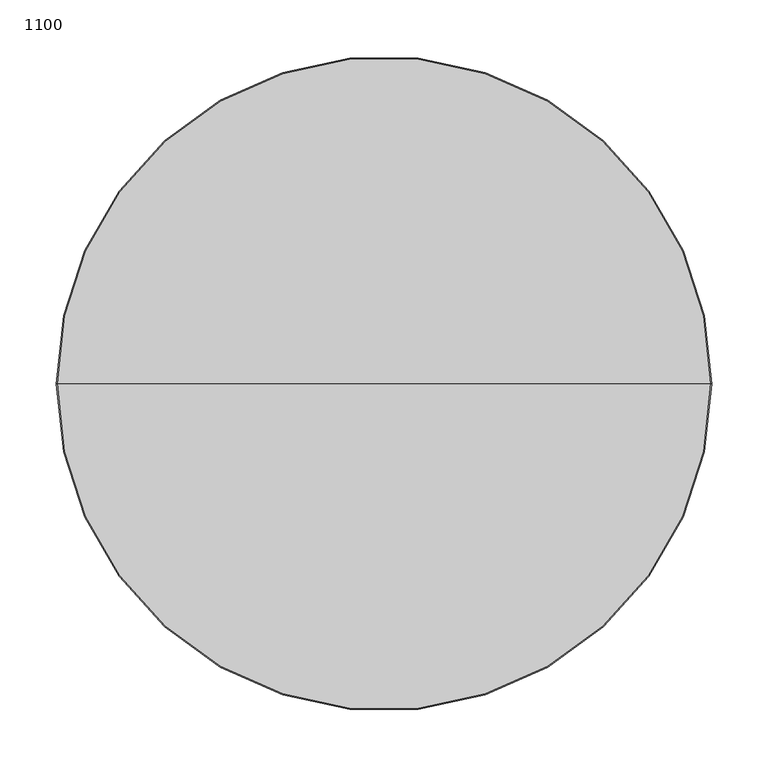
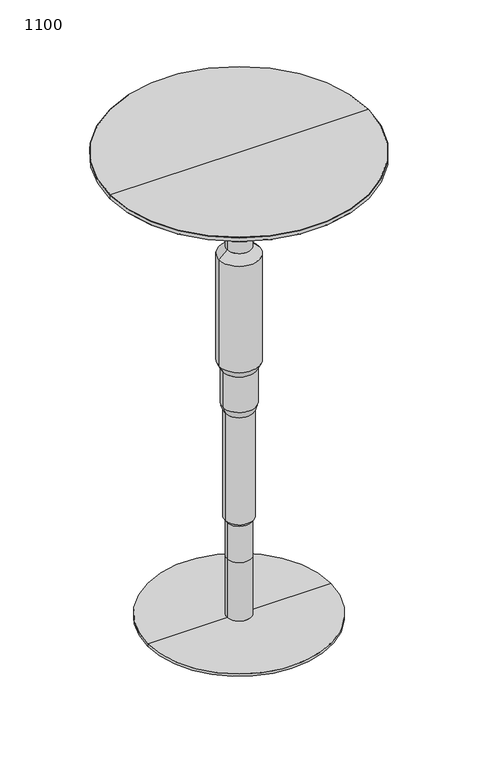
"""IFC4 building model written with IfcOpenShell, lengths in millimetres: furniture geometry, 1100."""

from ifc_helpers import new_model, si_unit, frame, origin, place, context, project, spatial, polyline, circle_curve, source, transform, mapped, element, save
from ifc_brep_helpers import plane_surface, cylinder_surface, revolved_surface, advanced_brep


def furniture_1100_5a6f175d(model_context):
    return source(origin(), model_context, "Body", "AdvancedBrep", [
        advanced_brep(
        [(27.0000008, 0.0, 145.4999867), (-27.0000008, 0.0, 145.4999867), (-27.0000008, 0.0, 230.9999641), (27.0000008, 0.0, 230.9999641), (0.0, 0.0, 145.4999867), (27.0000008, 0.0, 985.9999735), (-27.0000008, 0.0, 985.9999735), (0.0, 0.0, 985.9999735), (27.0000008, 0.0, 877.9999523), (-27.0000008, 0.0, 877.9999523), (45.0000013, 0.0, 859.9999609), (-45.0000013, 0.0, 859.9999609), (45.0000013, 0.0, 607.999972), (-45.0000013, 0.0, 607.999972), (37.0000013, 0.0, 591.9999676), (-37.0000013, 0.0, 591.9999676), (37.0000013, 0.0, 507.9999713), (-37.0000013, 0.0, 507.9999713), (31.5000009, 0.0, 491.9999668), (-31.5000009, 0.0, 491.9999668), (31.5000009, 0.0, 237.9999729), (-31.5000009, 0.0, 237.9999729)],
        [
            (0, 1, circle_curve(frame((0.0, 0.0, 145.4999867), z_axis=(0.0, 0.0, 1.0), x_axis=(-1.0, 0.0, 0.0)), 27.0000008)),
            (1, 2),
            (2, 3, circle_curve(frame((0.0, 0.0, 230.9999641), z_axis=(0.0, 0.0, -1.0), x_axis=(-1.0, 0.0, 0.0)), 27.0000008)),
            (3, 0),
            (1, 0, circle_curve(frame((0.0, 0.0, 145.4999867), z_axis=(0.0, 0.0, 1.0), x_axis=(-1.0, 0.0, 0.0)), 27.0000008)),
            (3, 2, circle_curve(frame((0.0, 0.0, 230.9999641), z_axis=(0.0, 0.0, -1.0), x_axis=(-1.0, 0.0, 0.0)), 27.0000008)),
            (4, 1),
            (0, 4),
            (5, 6, circle_curve(frame((0.0, 0.0, 985.9999735), z_axis=(0.0, 0.0, 1.0), x_axis=(-1.0, 0.0, 0.0)), 27.0000008)),
            (6, 7),
            (7, 5),
            (6, 5, circle_curve(frame((0.0, 0.0, 985.9999735), z_axis=(0.0, 0.0, 1.0), x_axis=(-1.0, 0.0, 0.0)), 27.0000008)),
            (8, 9, circle_curve(frame((0.0, 0.0, 877.9999523), z_axis=(0.0, 0.0, 1.0), x_axis=(-1.0, 0.0, 0.0)), 27.0000008)),
            (9, 6),
            (5, 8),
            (9, 8, circle_curve(frame((0.0, 0.0, 877.9999523), z_axis=(0.0, 0.0, 1.0), x_axis=(-1.0, 0.0, 0.0)), 27.0000008)),
            (10, 11, circle_curve(frame((0.0, 0.0, 859.9999609), z_axis=(0.0, 0.0, 1.0), x_axis=(-1.0, 0.0, 0.0)), 45.0000013)),
            (11, 9),
            (8, 10),
            (11, 10, circle_curve(frame((0.0, 0.0, 859.9999609), z_axis=(0.0, 0.0, 1.0), x_axis=(-1.0, 0.0, 0.0)), 45.0000013)),
            (12, 13, circle_curve(frame((0.0, 0.0, 607.999972), z_axis=(0.0, 0.0, 1.0), x_axis=(-1.0, 0.0, 0.0)), 45.0000013)),
            (13, 11),
            (10, 12),
            (13, 12, circle_curve(frame((0.0, 0.0, 607.999972), z_axis=(0.0, 0.0, 1.0), x_axis=(-1.0, 0.0, 0.0)), 45.0000013)),
            (14, 15, circle_curve(frame((0.0, 0.0, 591.9999676), z_axis=(0.0, 0.0, 1.0), x_axis=(-1.0, 0.0, 0.0)), 37.0000013)),
            (15, 13),
            (12, 14),
            (15, 14, circle_curve(frame((0.0, 0.0, 591.9999676), z_axis=(0.0, 0.0, 1.0), x_axis=(-1.0, 0.0, 0.0)), 37.0000013)),
            (16, 17, circle_curve(frame((0.0, 0.0, 507.9999713), z_axis=(0.0, 0.0, 1.0), x_axis=(-1.0, 0.0, 0.0)), 37.0000013)),
            (17, 15),
            (14, 16),
            (17, 16, circle_curve(frame((0.0, 0.0, 507.9999713), z_axis=(0.0, 0.0, 1.0), x_axis=(-1.0, 0.0, 0.0)), 37.0000013)),
            (18, 19, circle_curve(frame((0.0, 0.0, 491.9999668), z_axis=(0.0, 0.0, 1.0), x_axis=(-1.0, 0.0, 0.0)), 31.5000009)),
            (19, 17),
            (16, 18),
            (19, 18, circle_curve(frame((0.0, 0.0, 491.9999668), z_axis=(0.0, 0.0, 1.0), x_axis=(-1.0, 0.0, 0.0)), 31.5000009)),
            (20, 21, circle_curve(frame((0.0, 0.0, 237.9999729), z_axis=(0.0, 0.0, 1.0), x_axis=(-1.0, 0.0, 0.0)), 31.5000009)),
            (21, 19),
            (18, 20),
            (21, 20, circle_curve(frame((0.0, 0.0, 237.9999729), z_axis=(0.0, 0.0, 1.0), x_axis=(-1.0, 0.0, 0.0)), 31.5000009)),
            (2, 21),
            (20, 3),
        ],
        [
            cylinder_surface(frame((0.0, 0.0, 124.7206037), z_axis=(0.0, 0.0, -1.0), x_axis=(-1.0, 0.0, 0.0)), 27.0000008),
            plane_surface(frame((0.0, 0.0, 145.4999867), z_axis=(0.0, 0.0, -1.0), x_axis=(-1.0, 0.0, 0.0))),
            plane_surface(frame((0.0, 0.0, 985.9999735), z_axis=(0.0, 0.0, 1.0), x_axis=(-1.0, 0.0, 0.0))),
            revolved_surface(polyline([(-27.0000008, 0.0, 877.9999523), (-45.0000013, 0.0, 859.9999609)]), (0.0, 0.0, 124.7206037), (0.0, 0.0, -1.0)),
            cylinder_surface(frame((0.0, 0.0, 124.7206037), z_axis=(0.0, 0.0, -1.0), x_axis=(-1.0, 0.0, 0.0)), 45.0000013),
            revolved_surface(polyline([(-45.0000013, 0.0, 607.999972), (-37.0000013, 0.0, 591.9999676)]), (0.0, 0.0, 124.7206037), (0.0, 0.0, -1.0)),
            cylinder_surface(frame((0.0, 0.0, 124.7206037), z_axis=(0.0, 0.0, -1.0), x_axis=(-1.0, 0.0, 0.0)), 37.0000013),
            revolved_surface(polyline([(-37.0000013, 0.0, 507.9999713), (-31.5000009, 0.0, 491.9999668)]), (0.0, 0.0, 124.7206037), (0.0, 0.0, -1.0)),
            cylinder_surface(frame((0.0, 0.0, 124.7206037), z_axis=(0.0, 0.0, -1.0), x_axis=(-1.0, 0.0, 0.0)), 31.5000009),
            revolved_surface(polyline([(-31.5000009, 0.0, 237.9999729), (-27.0000008, 0.0, 230.9999641)]), (0.0, 0.0, 124.7206037), (0.0, 0.0, -1.0)),
        ],
        [
            (0, [[1, 2, 3, 4]]),
            (0, [[5, -4, 6, -2]]),
            (1, [[7, -1, 8]]),
            (1, [[-8, -5, -7]]),
            (2, [[9, 10, 11]]),
            (2, [[12, -11, -10]]),
            (0, [[13, 14, -9, 15]]),
            (0, [[16, -15, -12, -14]]),
            (3, [[17, 18, -13, 19]]),
            (3, [[20, -19, -16, -18]]),
            (4, [[21, 22, -17, 23]]),
            (4, [[24, -23, -20, -22]]),
            (5, [[25, 26, -21, 27]]),
            (5, [[28, -27, -24, -26]]),
            (6, [[29, 30, -25, 31]]),
            (6, [[32, -31, -28, -30]]),
            (7, [[33, 34, -29, 35]]),
            (7, [[36, -35, -32, -34]]),
            (8, [[37, 38, -33, 39]]),
            (8, [[40, -39, -36, -38]]),
            (9, [[-3, 41, -37, 42]]),
            (9, [[-6, -42, -40, -41]]),
        ],
    ),
        advanced_brep(
        [(0.0, 0.0, 985.9999735), (-27.0000008, 0.0, 985.9999735), (27.0000008, 0.0, 985.9999735), (289.0000015, 0.0, 1099.9999918), (-289.0000015, 0.0, 1099.9999918), (0.0, 0.0, 1099.9999918), (289.9999774, 0.0, 1099.0000159), (-289.9999774, 0.0, 1099.0000159), (289.9999774, 0.0, 1090.9852813), (-289.9999774, 0.0, 1090.9852813), (289.0147168, 0.0, 1090.0000208), (-289.0147168, 0.0, 1090.0000208), (125.000001, 0.0, 1090.0000208), (-125.000001, 0.0, 1090.0000208), (125.000001, 0.0, 1085.9999016), (-125.000001, 0.0, 1085.9999016), (27.0000008, 0.0, 1085.9999016), (-27.0000008, 0.0, 1085.9999016)],
        [
            (0, 1),
            (1, 2, circle_curve(frame((0.0, 0.0, 985.9999735), z_axis=(0.0, 0.0, -1.0), x_axis=(-1.0, 0.0, 0.0)), 27.0000008)),
            (2, 0),
            (2, 1, circle_curve(frame((0.0, 0.0, 985.9999735), z_axis=(0.0, 0.0, -1.0), x_axis=(-1.0, 0.0, 0.0)), 27.0000008)),
            (3, 4, circle_curve(frame((0.0, 0.0, 1099.9999918), z_axis=(0.0, 0.0, 1.0), x_axis=(-1.0, 0.0, 0.0)), 289.0000015)),
            (4, 5),
            (5, 3),
            (4, 3, circle_curve(frame((0.0, 0.0, 1099.9999918), z_axis=(0.0, 0.0, 1.0), x_axis=(-1.0, 0.0, 0.0)), 289.0000015)),
            (6, 7, circle_curve(frame((0.0, 0.0, 1099.0000159), z_axis=(0.0, 0.0, 1.0), x_axis=(-1.0, 0.0, 0.0)), 289.9999774)),
            (7, 4),
            (3, 6),
            (7, 6, circle_curve(frame((0.0, 0.0, 1099.0000159), z_axis=(0.0, 0.0, 1.0), x_axis=(-1.0, 0.0, 0.0)), 289.9999774)),
            (8, 9, circle_curve(frame((0.0, 0.0, 1090.9852813), z_axis=(0.0, 0.0, 1.0), x_axis=(-1.0, 0.0, 0.0)), 289.9999774)),
            (9, 7),
            (6, 8),
            (9, 8, circle_curve(frame((0.0, 0.0, 1090.9852813), z_axis=(0.0, 0.0, 1.0), x_axis=(-1.0, 0.0, 0.0)), 289.9999774)),
            (10, 11, circle_curve(frame((0.0, 0.0, 1090.0000208), z_axis=(0.0, 0.0, 1.0), x_axis=(-1.0, 0.0, 0.0)), 289.0147168)),
            (11, 9),
            (8, 10),
            (11, 10, circle_curve(frame((0.0, 0.0, 1090.0000208), z_axis=(0.0, 0.0, 1.0), x_axis=(-1.0, 0.0, 0.0)), 289.0147168)),
            (12, 13, circle_curve(frame((0.0, 0.0, 1090.0000208), z_axis=(0.0, 0.0, 1.0), x_axis=(-1.0, 0.0, 0.0)), 125.000001)),
            (13, 11),
            (10, 12),
            (13, 12, circle_curve(frame((0.0, 0.0, 1090.0000208), z_axis=(0.0, 0.0, 1.0), x_axis=(-1.0, 0.0, 0.0)), 125.000001)),
            (14, 15, circle_curve(frame((0.0, 0.0, 1085.9999016), z_axis=(0.0, 0.0, 1.0), x_axis=(-1.0, 0.0, 0.0)), 125.000001)),
            (15, 13),
            (12, 14),
            (15, 14, circle_curve(frame((0.0, 0.0, 1085.9999016), z_axis=(0.0, 0.0, 1.0), x_axis=(-1.0, 0.0, 0.0)), 125.000001)),
            (16, 17, circle_curve(frame((0.0, 0.0, 1085.9999016), z_axis=(0.0, 0.0, 1.0), x_axis=(-1.0, 0.0, 0.0)), 27.0000008)),
            (17, 15),
            (14, 16),
            (17, 16, circle_curve(frame((0.0, 0.0, 1085.9999016), z_axis=(0.0, 0.0, 1.0), x_axis=(-1.0, 0.0, 0.0)), 27.0000008)),
            (1, 17),
            (16, 2),
        ],
        [
            plane_surface(frame((0.0, 0.0, 985.9999735), z_axis=(0.0, 0.0, -1.0), x_axis=(-1.0, 0.0, 0.0))),
            plane_surface(frame((0.0, 0.0, 1099.9999918), z_axis=(0.0, 0.0, 1.0), x_axis=(-1.0, 0.0, 0.0))),
            revolved_surface(polyline([(-289.0000015, 0.0, 1099.9999918), (-289.9999774, 0.0, 1099.0000159)]), (0.0, 0.0, 979.6499735), (0.0, 0.0, -1.0)),
            cylinder_surface(frame((0.0, 0.0, 979.6499735), z_axis=(0.0, 0.0, -1.0), x_axis=(-1.0, 0.0, 0.0)), 289.9999774),
            revolved_surface(polyline([(-289.9999774, 0.0, 1090.9852813), (-289.0147168, 0.0, 1090.0000208)]), (0.0, 0.0, 979.6499735), (0.0, 0.0, -1.0)),
            plane_surface(frame((0.0, 0.0, 1090.0000208), z_axis=(0.0, 0.0, -1.0), x_axis=(-1.0, 0.0, 0.0))),
            cylinder_surface(frame((0.0, 0.0, 979.6499735), z_axis=(0.0, 0.0, -1.0), x_axis=(-1.0, 0.0, 0.0)), 125.000001),
            plane_surface(frame((0.0, 0.0, 1085.9999016), z_axis=(0.0, 0.0, -1.0), x_axis=(-1.0, 0.0, 0.0))),
            cylinder_surface(frame((0.0, 0.0, 979.6499735), z_axis=(0.0, 0.0, -1.0), x_axis=(-1.0, 0.0, 0.0)), 27.0000008),
        ],
        [
            (0, [[1, 2, 3]]),
            (0, [[-3, 4, -1]]),
            (1, [[5, 6, 7]]),
            (1, [[8, -7, -6]]),
            (2, [[9, 10, -5, 11]]),
            (2, [[12, -11, -8, -10]]),
            (3, [[13, 14, -9, 15]]),
            (3, [[16, -15, -12, -14]]),
            (4, [[17, 18, -13, 19]]),
            (4, [[20, -19, -16, -18]]),
            (5, [[21, 22, -17, 23]]),
            (5, [[24, -23, -20, -22]]),
            (6, [[25, 26, -21, 27]]),
            (6, [[28, -27, -24, -26]]),
            (7, [[29, 30, -25, 31]]),
            (7, [[32, -31, -28, -30]]),
            (8, [[-2, 33, -29, 34]]),
            (8, [[-4, -34, -32, -33]]),
        ],
    ),
        advanced_brep(
        [(0.0, 0.0, 0.0), (-205.0000052, 0.0, 0.0), (205.0000052, 0.0, 0.0), (27.0000008, 0.0, 145.4999867), (-27.0000008, 0.0, 145.4999867), (0.0, 0.0, 145.4999867), (27.0000008, 0.0, 6.9129723), (-27.0000008, 0.0, 6.9129723), (26.0876426, 0.0, 6.9129723), (-26.0876426, 0.0, 6.9129723), (26.0876426, 0.0, 5.9999964), (-26.0876426, 0.0, 5.9999964), (205.0000052, 0.0, 5.9999964), (-205.0000052, 0.0, 5.9999964)],
        [
            (0, 1),
            (1, 2, circle_curve(frame((0.0, 0.0, 0.0), z_axis=(0.0, 0.0, -1.0), x_axis=(-1.0, 0.0, 0.0)), 205.0000052)),
            (2, 0),
            (2, 1, circle_curve(frame((0.0, 0.0, 0.0), z_axis=(0.0, 0.0, -1.0), x_axis=(-1.0, 0.0, 0.0)), 205.0000052)),
            (3, 4, circle_curve(frame((0.0, 0.0, 145.4999867), z_axis=(0.0, 0.0, 1.0), x_axis=(-1.0, 0.0, 0.0)), 27.0000008)),
            (4, 5),
            (5, 3),
            (4, 3, circle_curve(frame((0.0, 0.0, 145.4999867), z_axis=(0.0, 0.0, 1.0), x_axis=(-1.0, 0.0, 0.0)), 27.0000008)),
            (6, 7, circle_curve(frame((0.0, 0.0, 6.9129723), z_axis=(0.0, 0.0, 1.0), x_axis=(-1.0, 0.0, 0.0)), 27.0000008)),
            (7, 4),
            (3, 6),
            (7, 6, circle_curve(frame((0.0, 0.0, 6.9129723), z_axis=(0.0, 0.0, 1.0), x_axis=(-1.0, 0.0, 0.0)), 27.0000008)),
            (8, 9, circle_curve(frame((0.0, 0.0, 6.9129723), z_axis=(0.0, 0.0, 1.0), x_axis=(-1.0, 0.0, 0.0)), 26.0876426)),
            (9, 7),
            (6, 8),
            (9, 8, circle_curve(frame((0.0, 0.0, 6.9129723), z_axis=(0.0, 0.0, 1.0), x_axis=(-1.0, 0.0, 0.0)), 26.0876426)),
            (10, 11, circle_curve(frame((0.0, 0.0, 5.9999964), z_axis=(0.0, 0.0, 1.0), x_axis=(-1.0, 0.0, 0.0)), 26.0876426)),
            (11, 9),
            (8, 10),
            (11, 10, circle_curve(frame((0.0, 0.0, 5.9999964), z_axis=(0.0, 0.0, 1.0), x_axis=(-1.0, 0.0, 0.0)), 26.0876426)),
            (12, 13, circle_curve(frame((0.0, 0.0, 5.9999964), z_axis=(0.0, 0.0, 1.0), x_axis=(-1.0, 0.0, 0.0)), 205.0000052)),
            (13, 11),
            (10, 12),
            (13, 12, circle_curve(frame((0.0, 0.0, 5.9999964), z_axis=(0.0, 0.0, 1.0), x_axis=(-1.0, 0.0, 0.0)), 205.0000052)),
            (1, 13),
            (12, 2),
        ],
        [
            plane_surface(frame((0.0, 0.0, 0.0), z_axis=(0.0, 0.0, -1.0), x_axis=(-1.0, 0.0, 0.0))),
            plane_surface(frame((0.0, 0.0, 145.4999867), z_axis=(0.0, 0.0, 1.0), x_axis=(-1.0, 0.0, 0.0))),
            cylinder_surface(frame((0.0, 0.0, -19.05), z_axis=(0.0, 0.0, -1.0), x_axis=(-1.0, 0.0, 0.0)), 27.0000008),
            plane_surface(frame((0.0, 0.0, 6.9129723), z_axis=(0.0, 0.0, -1.0), x_axis=(-1.0, 0.0, 0.0))),
            cylinder_surface(frame((0.0, 0.0, -19.05), z_axis=(0.0, 0.0, -1.0), x_axis=(-1.0, 0.0, 0.0)), 26.0876426),
            plane_surface(frame((0.0, 0.0, 5.9999964), z_axis=(0.0, 0.0, 1.0), x_axis=(-1.0, 0.0, 0.0))),
            cylinder_surface(frame((0.0, 0.0, -19.05), z_axis=(0.0, 0.0, -1.0), x_axis=(-1.0, 0.0, 0.0)), 205.0000052),
        ],
        [
            (0, [[1, 2, 3]]),
            (0, [[-3, 4, -1]]),
            (1, [[5, 6, 7]]),
            (1, [[8, -7, -6]]),
            (2, [[9, 10, -5, 11]]),
            (2, [[12, -11, -8, -10]]),
            (3, [[13, 14, -9, 15]]),
            (3, [[16, -15, -12, -14]]),
            (4, [[17, 18, -13, 19]]),
            (4, [[20, -19, -16, -18]]),
            (5, [[21, 22, -17, 23]]),
            (5, [[24, -23, -20, -22]]),
            (6, [[-2, 25, -21, 26]]),
            (6, [[-4, -26, -24, -25]]),
        ],
    ),
    ])


if __name__ == "__main__":
    model = new_model("IFC4")
    model_context = context("Model", 3, world=origin())
    ifc_project = project(units=[si_unit("LENGTHUNIT", "METRE", prefix="MILLI")], contexts=[model_context])
    site = spatial("IfcSite", under=ifc_project)
    building = spatial("IfcBuilding", under=site)
    placement = place(None, origin())
    furniture_1100_shape = furniture_1100_5a6f175d(model_context)
    element("IfcFurniture", 1, ObjectType="1100", at=placement, inside=building, context=model_context, shape_type="MappedRepresentation", body=[
        mapped(furniture_1100_shape, transform((0.0, 0.0, 0.0), x_axis=(1.0, 0.0, 0.0), y_axis=(0.0, 1.0, 0.0), z_axis=(0.0, 0.0, 1.0))),
    ])
    save(model, "model.ifc")
